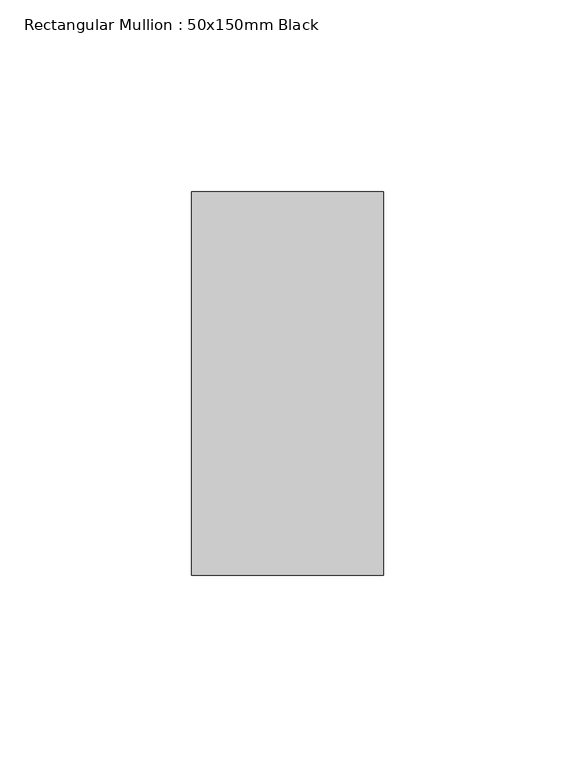
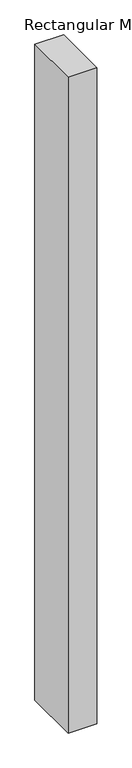
"""IFC4 building model written with IfcOpenShell, lengths in millimetres: member geometry, Rectangular Mullion : 50x150mm Black."""

import ifcopenshell
import ifcopenshell.guid

model = None  # the IFC model being written
_history = None  # IfcOwnerHistory: only IFC2X3 demands one
_inside = {}  # id of a spatial element -> (the spatial element, [elements in it])
_under = {}  # id of a project, library or spatial element -> (it, [spatial elements below it])
_declared = {}  # id of a project -> (the project, [libraries it declares])
_typed = {}  # id of a type object -> (the type object, [elements of that type])
_made_of = {}  # id of a material, layer set ... -> (it, [elements and type objects made of it])


def new_model(schema):
    """Start an empty IFC model of exactly this schema.

    Asked for "IFC4X3", IfcOpenShell would pick the latest addendum, in which some entities
    have other attributes; the version numbers below select the first issue.
    IFC2X3 requires an IfcOwnerHistory on every rooted entity: one is made here for all.
    """
    global model, _history
    if schema == "IFC4X3":
        model = ifcopenshell.file(schema_version=(4, 3, 0, 0))
    else:
        model = ifcopenshell.file(schema=schema)
    _inside.clear()
    _under.clear()
    _declared.clear()
    _typed.clear()
    _made_of.clear()
    _history = None
    if model.schema == "IFC2X3":
        org = make("IfcOrganization", Name="unknown")
        user = make(
            "IfcPersonAndOrganization",
            ThePerson=make("IfcPerson", FamilyName="unknown"),
            TheOrganization=org,
        )
        app = make(
            "IfcApplication",
            ApplicationDeveloper=org,
            Version="unknown",
            ApplicationFullName="unknown",
            ApplicationIdentifier="unknown",
        )
        _history = make(
            "IfcOwnerHistory",
            OwningUser=user,
            OwningApplication=app,
            ChangeAction="ADDED",
            CreationDate=0,
        )
    return model


def make(cls, **values):
    """One entity of the class cls with the attributes given. An attribute that is None is left unset."""
    return model.create_entity(
        cls, **{name: value for name, value in values.items() if value is not None}
    )


def rooted(cls, **values):
    """An entity with a GlobalId (a new one), such as an element, a storey or a relation."""
    return make(cls, GlobalId=ifcopenshell.guid.new(), OwnerHistory=_history, **values)


def si_unit(unit_type, name, prefix=None):
    """IfcSIUnit, for example si_unit("LENGTHUNIT", "METRE", prefix="MILLI")."""
    return make("IfcSIUnit", UnitType=unit_type, Prefix=prefix, Name=name)


def assignment(units):
    """IfcUnitAssignment: the units of a project."""
    return None if units is None else make("IfcUnitAssignment", Units=units)


def point(xyz):
    """IfcCartesianPoint."""
    return None if xyz is None else make("IfcCartesianPoint", Coordinates=xyz)


def direction(xyz):
    """IfcDirection."""
    return None if xyz is None else make("IfcDirection", DirectionRatios=xyz)


def frame(location, z_axis=None, x_axis=None):
    """IfcAxis2Placement3D, a coordinate frame: its origin and axes. An axis left out is left unset."""
    return make(
        "IfcAxis2Placement3D",
        Location=point(location),
        Axis=direction(z_axis),
        RefDirection=direction(x_axis),
    )


def origin():
    """The frame at (0, 0, 0) with its axes left unset."""
    return frame((0.0, 0.0, 0.0))


def place(relative_to, where):
    """IfcLocalPlacement: puts the frame where relative to a parent placement (None: the world)."""
    return make(
        "IfcLocalPlacement", PlacementRelTo=relative_to, RelativePlacement=where
    )


def context(
    kind, dimensions, precision=None, world=None, true_north=None, identifier=None
):
    """IfcGeometricRepresentationContext, for example the 3D "Model" context."""
    return make(
        "IfcGeometricRepresentationContext",
        ContextIdentifier=identifier,
        ContextType=kind,
        CoordinateSpaceDimension=dimensions,
        Precision=precision,
        WorldCoordinateSystem=world,
        TrueNorth=true_north,
    )


def project(units=None, contexts=None):
    """IfcProject with its units and contexts."""
    return rooted(
        "IfcProject",
        Name="project",
        RepresentationContexts=contexts,
        UnitsInContext=assignment(units),
    )


def spatial(cls, under=None, at=None, **own):
    """A site, building, storey or space (cls), placed at a placement, below another one or the project."""
    s = rooted(cls, ObjectPlacement=at, **own)
    if under is not None:
        _under.setdefault(under.id(), (under, []))[1].append(s)
    return s


def polyline(points):
    """IfcPolyline through the points."""
    return make("IfcPolyline", Points=[point(p) for p in points])


def outline(outer, holes=None, kind="AREA"):
    """IfcArbitraryClosedProfileDef: a profile drawn as a closed curve; with holes, ...WithVoids."""
    if holes is None:
        return make("IfcArbitraryClosedProfileDef", ProfileType=kind, OuterCurve=outer)
    return make(
        "IfcArbitraryProfileDefWithVoids",
        ProfileType=kind,
        OuterCurve=outer,
        InnerCurves=holes,
    )


def extrude(swept, where, along, depth):
    """IfcExtrudedAreaSolid: the profile swept, set in the frame where, extruded along a direction by depth."""
    return make(
        "IfcExtrudedAreaSolid",
        SweptArea=swept,
        Position=where,
        ExtrudedDirection=direction(along),
        Depth=depth,
    )


def shape(context_of_items, identifier, shape_type, items):
    """IfcShapeRepresentation: the items that make up one representation, for example the "Body"."""
    return make(
        "IfcShapeRepresentation",
        ContextOfItems=context_of_items,
        RepresentationIdentifier=identifier,
        RepresentationType=shape_type,
        Items=items,
    )


def source(mapping_origin, context_of_items, identifier, shape_type, items):
    """IfcRepresentationMap: a shape defined once, which mapped items show again and again."""
    return make(
        "IfcRepresentationMap",
        MappingOrigin=mapping_origin,
        MappedRepresentation=shape(context_of_items, identifier, shape_type, items),
    )


def transform(
    local_origin,
    x_axis=None,
    y_axis=None,
    z_axis=None,
    scale=None,
    scale2=None,
    scale3=None,
    uniform=True,
):
    """IfcCartesianTransformationOperator3D, or its non-uniform kind. x_axis, y_axis, z_axis: its Axis1, 2, 3."""
    if uniform:
        return make(
            "IfcCartesianTransformationOperator3D",
            Axis1=direction(x_axis),
            Axis2=direction(y_axis),
            LocalOrigin=point(local_origin),
            Scale=scale,
            Axis3=direction(z_axis),
        )
    return make(
        "IfcCartesianTransformationOperator3DnonUniform",
        Axis1=direction(x_axis),
        Axis2=direction(y_axis),
        LocalOrigin=point(local_origin),
        Scale=scale,
        Axis3=direction(z_axis),
        Scale2=scale2,
        Scale3=scale3,
    )


def mapped(mapping_source, mapping_target):
    """IfcMappedItem: shows the shape of a source again, moved by a transform."""
    return make(
        "IfcMappedItem", MappingSource=mapping_source, MappingTarget=mapping_target
    )


def made_of(thing, what):
    """Note that an element or type object is made of a material, layer set ...; save() writes the relation."""
    if what is not None:
        _made_of.setdefault(what.id(), (what, []))[1].append(thing)
    return thing


def element(
    cls,
    number,
    at=None,
    inside=None,
    cuts=None,
    type_object=None,
    material=None,
    context=None,
    identifier="Body",
    shape_type=None,
    held_by="IfcProductDefinitionShape",
    body=None,
    shapes=None,
    **own,
):
    """One element of the class cls, such as IfcWall. Its Tag is "e" and its number.

    at: its placement. inside: the storey or other place that contains it. cuts: it is an
    opening in that element (IfcRelVoidsElement). A single representation is given by context,
    identifier, shape_type and body (its items); several are given by shapes. held_by: the class
    of the entity that holds the representations. save() writes the other relations.
    """
    e = rooted(cls, Tag="e%d" % number, ObjectPlacement=at, **own)
    if body is not None:
        shapes = [shape(context, identifier, shape_type, body)]
    if shapes is not None:
        e.Representation = make(held_by, Representations=shapes)
    if inside is not None:
        _inside.setdefault(inside.id(), (inside, []))[1].append(e)
    if cuts is not None:
        rooted(
            "IfcRelVoidsElement", RelatingBuildingElement=cuts, RelatedOpeningElement=e
        )
    if type_object is not None:
        _typed.setdefault(type_object.id(), (type_object, []))[1].append(e)
    return made_of(e, material)


def aggregate(whole, parts):
    """IfcRelAggregates: a whole, such as a stair, and the parts it consists of."""
    return rooted("IfcRelAggregates", RelatingObject=whole, RelatedObjects=parts)


def save(model, path):
    """Write the relations noted so far, then the file.

    IfcRelAggregates (storeys below a building ...), IfcRelContainedInSpatialStructure (elements
    in a storey), IfcRelDefinesByType, IfcRelAssociatesMaterial and IfcRelDeclares: one each for
    every whole, place, type object, material and project.
    """
    for whole, parts in _under.values():
        aggregate(whole, parts)
    for where, things in _inside.values():
        rooted(
            "IfcRelContainedInSpatialStructure",
            RelatedElements=things,
            RelatingStructure=where,
        )
    for kind, things in _typed.values():
        rooted("IfcRelDefinesByType", RelatedObjects=things, RelatingType=kind)
    for what, things in _made_of.values():
        rooted("IfcRelAssociatesMaterial", RelatedObjects=things, RelatingMaterial=what)
    for by, libraries in _declared.values():
        rooted("IfcRelDeclares", RelatingContext=by, RelatedDefinitions=libraries)
    model.write(path)


def rectangular_mullion_50x150mm_black_bdec455d(model_context):
    return source(origin(), model_context, "Body", "SweptSolid", [
        extrude(outline(polyline([(0.0, 50.0), (0.0, -50.0), (-50.0, -50.0), (-50.0, 50.0), (0.0, 50.0)])), frame((0.0, 0.0, -1203.2093509), z_axis=(0.0, 0.0, 1.0), x_axis=(1.0, 0.0, 0.0)), (0.0, 0.0, 1.0), 1203.2093509),
    ])


if __name__ == "__main__":
    model = new_model("IFC4")
    model_context = context("Model", 3, world=origin())
    ifc_project = project(units=[si_unit("LENGTHUNIT", "METRE", prefix="MILLI")], contexts=[model_context])
    site = spatial("IfcSite", under=ifc_project)
    building = spatial("IfcBuilding", under=site)
    placement = place(None, origin())
    rectangular_mullion_50x150mm_black_shape = rectangular_mullion_50x150mm_black_bdec455d(model_context)
    element("IfcMember", 1, ObjectType="Rectangular Mullion : 50x150mm Black", at=placement, inside=building, context=model_context, shape_type="MappedRepresentation", body=[
        mapped(rectangular_mullion_50x150mm_black_shape, transform((0.0, 0.0, 0.0), x_axis=(1.0, 0.0, 0.0), y_axis=(0.0, 1.0, 0.0), z_axis=(0.0, 0.0, 1.0))),
    ])
    save(model, "model.ifc")
